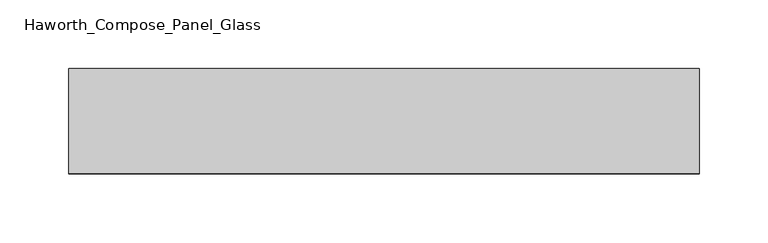
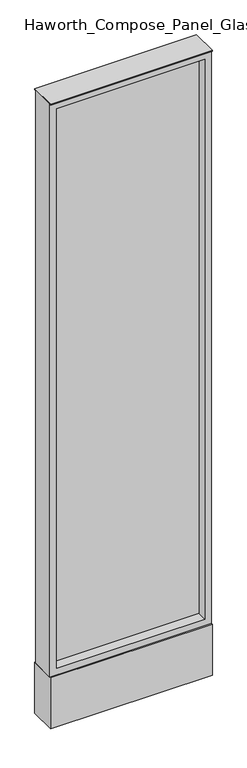
"""IFC4 building model written with IfcOpenShell, lengths in millimetres: furniture geometry, Haworth_Compose_Panel_Glass."""

from ifc_helpers import new_model, si_unit, point, frame, frame_2d, origin, origin_with_axes, place, context, project, spatial, polyline, circle_curve, trimmed, segment, composite_curve, outline, extrude, source, transform, mapped, element, save


def haworth_compose_panel_glass_4f0e243b(model_context):
    return source(origin(), model_context, "Body", "SweptSolid", [
        extrude(outline(composite_curve([segment(trimmed(circle_curve(frame_2d((154.8402902, 0.0)), 12.7), [point((142.1402902, 0.0))], [point((167.5402902, 0.0))], False, "CARTESIAN"), True, "CONTINUOUS"), segment(trimmed(circle_curve(frame_2d((154.8402902, 0.0)), 12.7), [point((167.5402902, 0.0))], [point((142.1402902, 0.0))], False, "CARTESIAN"), True, "CONTINUOUS")], self_intersect=False)), origin_with_axes(), (0.0, 0.0, 1.0), 12.7),
        extrude(outline(composite_curve([segment(trimmed(circle_curve(frame_2d((-149.9597098, 0.0)), 12.7), [point((-162.6597098, 0.0))], [point((-137.2597098, 0.0))], False, "CARTESIAN"), True, "CONTINUOUS"), segment(trimmed(circle_curve(frame_2d((-149.9597098, 0.0)), 12.7), [point((-137.2597098, 0.0))], [point((-162.6597098, 0.0))], False, "CARTESIAN"), True, "CONTINUOUS")], self_intersect=False)), origin_with_axes(), (0.0, 0.0, 1.0), 12.7),
        extrude(outline(polyline([(211.9902902, -6.35), (-207.1097098, -6.35), (-207.1097098, 6.35), (211.9902902, 6.35), (211.9902902, -6.35)])), frame((0.0, 0.0, 184.15), z_axis=(0.0, 0.0, 1.0), x_axis=(1.0, 0.0, 0.0)), (0.0, 0.0, 1.0), 1670.05),
        extrude(outline(polyline([(1873.25, -226.1597098), (165.1, -226.1597098), (165.1, 231.0402902), (1873.25, 231.0402902), (1873.25, -226.1597098)]), holes=[polyline([(1854.2, 211.9902902), (184.15, 211.9902902), (184.15, -207.1097098), (1854.2, -207.1097098), (1854.2, 211.9902902)])]), frame((0.0, -34.925, 0.0), z_axis=(0.0, 1.0, 0.0), x_axis=(0.0, 0.0, 1.0)), (0.0, 0.0, 1.0), 69.85),
        extrude(outline(polyline([(-226.1597098, 38.1), (231.0402902, 38.1), (231.0402902, -38.1), (-226.1597098, -38.1), (-226.1597098, 38.1)])), frame((0.0, 0.0, 12.7), z_axis=(0.0, 0.0, 1.0), x_axis=(1.0, 0.0, 0.0)), (0.0, 0.0, 1.0), 152.4),
        extrude(outline(polyline([(-226.1597098, -38.1), (-226.1597098, 38.1), (231.0402902, 38.1), (231.0402902, -38.1), (-226.1597098, -38.1)])), frame((0.0, 0.0, 1873.25), z_axis=(0.0, 0.0, 1.0), x_axis=(1.0, 0.0, 0.0)), (0.0, 0.0, 1.0), 3.175),
    ])


if __name__ == "__main__":
    model = new_model("IFC4")
    model_context = context("Model", 3, world=origin())
    ifc_project = project(units=[si_unit("LENGTHUNIT", "METRE", prefix="MILLI")], contexts=[model_context])
    site = spatial("IfcSite", under=ifc_project)
    building = spatial("IfcBuilding", under=site)
    placement = place(None, origin())
    haworth_compose_panel_glass_shape = haworth_compose_panel_glass_4f0e243b(model_context)
    element("IfcFurniture", 1, ObjectType="Haworth_Compose_Panel_Glass", at=placement, inside=building, context=model_context, shape_type="MappedRepresentation", body=[
        mapped(haworth_compose_panel_glass_shape, transform((0.0, 0.0, 0.0), x_axis=(1.0, 0.0, 0.0), y_axis=(0.0, 1.0, 0.0), z_axis=(0.0, 0.0, 1.0))),
    ])
    save(model, "model.ifc")
